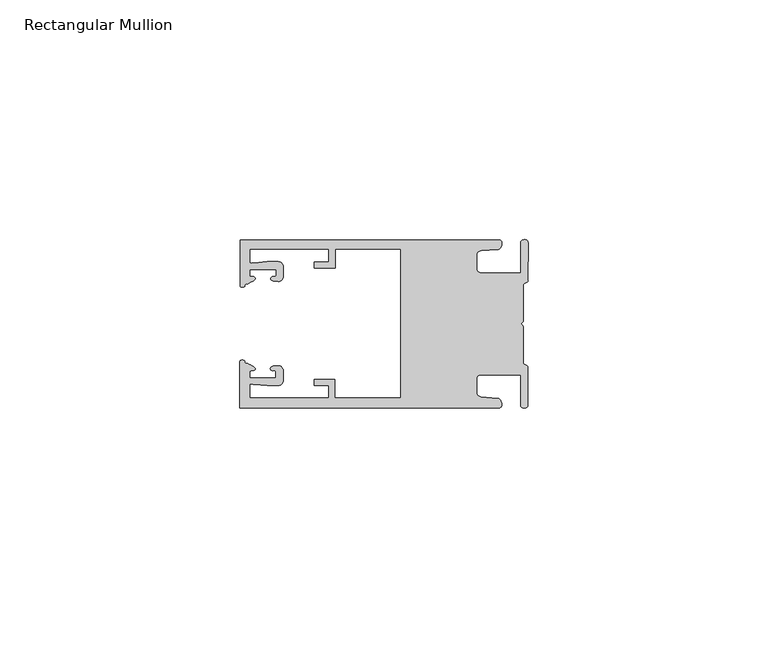
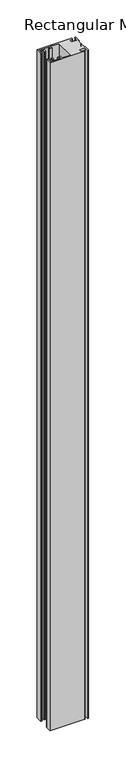
"""IFC4 building model written with IfcOpenShell, lengths in millimetres: member geometry, Rectangular Mullion."""

import ifcopenshell
import ifcopenshell.guid

model = None  # the IFC model being written
_history = None  # IfcOwnerHistory: only IFC2X3 demands one
_inside = {}  # id of a spatial element -> (the spatial element, [elements in it])
_under = {}  # id of a project, library or spatial element -> (it, [spatial elements below it])
_declared = {}  # id of a project -> (the project, [libraries it declares])
_typed = {}  # id of a type object -> (the type object, [elements of that type])
_made_of = {}  # id of a material, layer set ... -> (it, [elements and type objects made of it])


def new_model(schema):
    """Start an empty IFC model of exactly this schema.

    Asked for "IFC4X3", IfcOpenShell would pick the latest addendum, in which some entities
    have other attributes; the version numbers below select the first issue.
    IFC2X3 requires an IfcOwnerHistory on every rooted entity: one is made here for all.
    """
    global model, _history
    if schema == "IFC4X3":
        model = ifcopenshell.file(schema_version=(4, 3, 0, 0))
    else:
        model = ifcopenshell.file(schema=schema)
    _inside.clear()
    _under.clear()
    _declared.clear()
    _typed.clear()
    _made_of.clear()
    _history = None
    if model.schema == "IFC2X3":
        org = make("IfcOrganization", Name="unknown")
        user = make(
            "IfcPersonAndOrganization",
            ThePerson=make("IfcPerson", FamilyName="unknown"),
            TheOrganization=org,
        )
        app = make(
            "IfcApplication",
            ApplicationDeveloper=org,
            Version="unknown",
            ApplicationFullName="unknown",
            ApplicationIdentifier="unknown",
        )
        _history = make(
            "IfcOwnerHistory",
            OwningUser=user,
            OwningApplication=app,
            ChangeAction="ADDED",
            CreationDate=0,
        )
    return model


def make(cls, **values):
    """One entity of the class cls with the attributes given. An attribute that is None is left unset."""
    return model.create_entity(
        cls, **{name: value for name, value in values.items() if value is not None}
    )


def rooted(cls, **values):
    """An entity with a GlobalId (a new one), such as an element, a storey or a relation."""
    return make(cls, GlobalId=ifcopenshell.guid.new(), OwnerHistory=_history, **values)


def si_unit(unit_type, name, prefix=None):
    """IfcSIUnit, for example si_unit("LENGTHUNIT", "METRE", prefix="MILLI")."""
    return make("IfcSIUnit", UnitType=unit_type, Prefix=prefix, Name=name)


def assignment(units):
    """IfcUnitAssignment: the units of a project."""
    return None if units is None else make("IfcUnitAssignment", Units=units)


def point(xyz):
    """IfcCartesianPoint."""
    return None if xyz is None else make("IfcCartesianPoint", Coordinates=xyz)


def direction(xyz):
    """IfcDirection."""
    return None if xyz is None else make("IfcDirection", DirectionRatios=xyz)


def frame(location, z_axis=None, x_axis=None):
    """IfcAxis2Placement3D, a coordinate frame: its origin and axes. An axis left out is left unset."""
    return make(
        "IfcAxis2Placement3D",
        Location=point(location),
        Axis=direction(z_axis),
        RefDirection=direction(x_axis),
    )


def origin():
    """The frame at (0, 0, 0) with its axes left unset."""
    return frame((0.0, 0.0, 0.0))


def place(relative_to, where):
    """IfcLocalPlacement: puts the frame where relative to a parent placement (None: the world)."""
    return make(
        "IfcLocalPlacement", PlacementRelTo=relative_to, RelativePlacement=where
    )


def context(
    kind, dimensions, precision=None, world=None, true_north=None, identifier=None
):
    """IfcGeometricRepresentationContext, for example the 3D "Model" context."""
    return make(
        "IfcGeometricRepresentationContext",
        ContextIdentifier=identifier,
        ContextType=kind,
        CoordinateSpaceDimension=dimensions,
        Precision=precision,
        WorldCoordinateSystem=world,
        TrueNorth=true_north,
    )


def project(units=None, contexts=None):
    """IfcProject with its units and contexts."""
    return rooted(
        "IfcProject",
        Name="project",
        RepresentationContexts=contexts,
        UnitsInContext=assignment(units),
    )


def spatial(cls, under=None, at=None, **own):
    """A site, building, storey or space (cls), placed at a placement, below another one or the project."""
    s = rooted(cls, ObjectPlacement=at, **own)
    if under is not None:
        _under.setdefault(under.id(), (under, []))[1].append(s)
    return s


def circle_curve(where, radius):
    """IfcCircle in the frame where."""
    return make("IfcCircle", Position=where, Radius=radius)


def shape(context_of_items, identifier, shape_type, items):
    """IfcShapeRepresentation: the items that make up one representation, for example the "Body"."""
    return make(
        "IfcShapeRepresentation",
        ContextOfItems=context_of_items,
        RepresentationIdentifier=identifier,
        RepresentationType=shape_type,
        Items=items,
    )


def source(mapping_origin, context_of_items, identifier, shape_type, items):
    """IfcRepresentationMap: a shape defined once, which mapped items show again and again."""
    return make(
        "IfcRepresentationMap",
        MappingOrigin=mapping_origin,
        MappedRepresentation=shape(context_of_items, identifier, shape_type, items),
    )


def transform(
    local_origin,
    x_axis=None,
    y_axis=None,
    z_axis=None,
    scale=None,
    scale2=None,
    scale3=None,
    uniform=True,
):
    """IfcCartesianTransformationOperator3D, or its non-uniform kind. x_axis, y_axis, z_axis: its Axis1, 2, 3."""
    if uniform:
        return make(
            "IfcCartesianTransformationOperator3D",
            Axis1=direction(x_axis),
            Axis2=direction(y_axis),
            LocalOrigin=point(local_origin),
            Scale=scale,
            Axis3=direction(z_axis),
        )
    return make(
        "IfcCartesianTransformationOperator3DnonUniform",
        Axis1=direction(x_axis),
        Axis2=direction(y_axis),
        LocalOrigin=point(local_origin),
        Scale=scale,
        Axis3=direction(z_axis),
        Scale2=scale2,
        Scale3=scale3,
    )


def mapped(mapping_source, mapping_target):
    """IfcMappedItem: shows the shape of a source again, moved by a transform."""
    return make(
        "IfcMappedItem", MappingSource=mapping_source, MappingTarget=mapping_target
    )


def made_of(thing, what):
    """Note that an element or type object is made of a material, layer set ...; save() writes the relation."""
    if what is not None:
        _made_of.setdefault(what.id(), (what, []))[1].append(thing)
    return thing


def element(
    cls,
    number,
    at=None,
    inside=None,
    cuts=None,
    type_object=None,
    material=None,
    context=None,
    identifier="Body",
    shape_type=None,
    held_by="IfcProductDefinitionShape",
    body=None,
    shapes=None,
    **own,
):
    """One element of the class cls, such as IfcWall. Its Tag is "e" and its number.

    at: its placement. inside: the storey or other place that contains it. cuts: it is an
    opening in that element (IfcRelVoidsElement). A single representation is given by context,
    identifier, shape_type and body (its items); several are given by shapes. held_by: the class
    of the entity that holds the representations. save() writes the other relations.
    """
    e = rooted(cls, Tag="e%d" % number, ObjectPlacement=at, **own)
    if body is not None:
        shapes = [shape(context, identifier, shape_type, body)]
    if shapes is not None:
        e.Representation = make(held_by, Representations=shapes)
    if inside is not None:
        _inside.setdefault(inside.id(), (inside, []))[1].append(e)
    if cuts is not None:
        rooted(
            "IfcRelVoidsElement", RelatingBuildingElement=cuts, RelatedOpeningElement=e
        )
    if type_object is not None:
        _typed.setdefault(type_object.id(), (type_object, []))[1].append(e)
    return made_of(e, material)


def aggregate(whole, parts):
    """IfcRelAggregates: a whole, such as a stair, and the parts it consists of."""
    return rooted("IfcRelAggregates", RelatingObject=whole, RelatedObjects=parts)


def save(model, path):
    """Write the relations noted so far, then the file.

    IfcRelAggregates (storeys below a building ...), IfcRelContainedInSpatialStructure (elements
    in a storey), IfcRelDefinesByType, IfcRelAssociatesMaterial and IfcRelDeclares: one each for
    every whole, place, type object, material and project.
    """
    for whole, parts in _under.values():
        aggregate(whole, parts)
    for where, things in _inside.values():
        rooted(
            "IfcRelContainedInSpatialStructure",
            RelatedElements=things,
            RelatingStructure=where,
        )
    for kind, things in _typed.values():
        rooted("IfcRelDefinesByType", RelatedObjects=things, RelatingType=kind)
    for what, things in _made_of.values():
        rooted("IfcRelAssociatesMaterial", RelatedObjects=things, RelatingMaterial=what)
    for by, libraries in _declared.values():
        rooted("IfcRelDeclares", RelatingContext=by, RelatedDefinitions=libraries)
    model.write(path)


def plane_surface(at):
    """IfcPlane: the flat surface through the origin of the frame at, square to its z axis."""
    return make("IfcPlane", Position=at)


def cylinder_surface(at, radius):
    """IfcCylindricalSurface: all points at the distance radius from the z axis of the frame at."""
    return make("IfcCylindricalSurface", Position=at, Radius=radius)


def extruded_surface(curve, direction_of_extrusion, depth):
    """IfcSurfaceOfLinearExtrusion: the curve pushed along a direction by depth."""
    return make(
        "IfcSurfaceOfLinearExtrusion",
        SweptCurve=make("IfcArbitraryOpenProfileDef", ProfileType="CURVE", Curve=curve),
        ExtrudedDirection=direction(direction_of_extrusion),
        Depth=depth,
    )


def spline_curve(degree, points, multiplicities, knots, weights=None):
    """IfcBSplineCurveWithKnots; with weights, IfcRationalBSplineCurveWithKnots."""
    own = dict(
        Degree=degree,
        ControlPointsList=[point(p) for p in points],
        CurveForm="UNSPECIFIED",
        ClosedCurve=False,
        SelfIntersect=False,
        KnotMultiplicities=multiplicities,
        Knots=knots,
        KnotSpec="UNSPECIFIED",
    )
    if weights is None:
        return make("IfcBSplineCurveWithKnots", **own)
    return make("IfcRationalBSplineCurveWithKnots", WeightsData=weights, **own)


def advanced_brep(points, edges, surfaces, faces):
    """IfcAdvancedBrep: a solid bounded by faces that lie on surfaces and meet in shared edges.

    An edge is (start, end): straight between two places in points (the first is 0);
    or (start, end, curve); or (start, end, curve, False) where it runs against its curve.
    A face is (place in surfaces, loops), or (place, loops, False) where it looks against
    its surface's normal. A loop lists edges by number (the first is 1), with a minus sign
    where the edge is run from its end to its start. The first loop is the outer one.
    """
    corners = [point(p) for p in points]
    vertices = [make("IfcVertexPoint", VertexGeometry=c) for c in corners]
    made = []
    for start, end, *more in edges:
        made.append(
            make(
                "IfcEdgeCurve",
                EdgeStart=vertices[start],
                EdgeEnd=vertices[end],
                EdgeGeometry=more[0] if more else make("IfcPolyline", Points=[corners[start], corners[end]]),
                SameSense=more[1] if len(more) > 1 else True,
            )
        )
    hull = []
    for where, loops, *sense in faces:
        bounds = []
        for j, loop in enumerate(loops):
            ring = [make("IfcOrientedEdge", EdgeElement=made[abs(k) - 1], Orientation=k > 0) for k in loop]
            bounds.append(
                make(
                    "IfcFaceOuterBound" if j == 0 else "IfcFaceBound",
                    Bound=make("IfcEdgeLoop", EdgeList=ring),
                    Orientation=True,
                )
            )
        hull.append(make("IfcAdvancedFace", Bounds=bounds, FaceSurface=surfaces[where], SameSense=sense[0] if sense else True))
    return make("IfcAdvancedBrep", Outer=make("IfcClosedShell", CfsFaces=hull))


def rectangular_mullion_070d7e67(model_context):
    return source(origin(), model_context, "Body", "AdvancedBrep", [
        advanced_brep(
        [(-60.0749377, 17.5111528, 0.0), (-60.0749377, 8.0140787, 0.0), (-59.3252567, 7.7187455, 0.0), (-58.4967974, 8.36785, 0.0), (-58.0726619, 10.1173923, 0.0), (-58.0713101, 11.3673916, 0.0), (-52.5713133, 11.3614437, 0.0), (-52.5726651, 10.1114444, 0.0), (-53.1427626, 8.8955539, 0.0), (-52.0740172, 8.8609044, 0.0), (-51.0729364, 9.8598224, 0.0), (-51.0706653, 11.9598211, 0.0), (-52.0700692, 12.9609024, 0.0), (-54.3905105, 12.9622843, 0.0), (-57.1599646, 12.7230061, 0.0), (-58.0696339, 12.9173907, 0.0), (-58.066768, 15.5673891, 0.0), (-41.5667584, 15.5673891, 0.0), (-41.5695894, 12.9495468, 0.0), (-44.5695877, 12.9527912, 0.0), (-44.5709936, 11.6527919, 0.0), (-40.2709961, 11.6481417, 0.0), (-40.2667576, 15.5673891, 0.0), (-26.6002952, 15.5673891, 0.0), (-26.6002952, -15.4518424, 0.0), (-40.3003032, -15.4518424, 0.0), (-40.2960856, -11.5518447, 0.0), (-44.5960831, -11.5471945, 0.0), (-44.597489, -12.8471938, 0.0), (-41.5974907, -12.8504381, 0.0), (-41.6003025, -15.4504366, 0.0), (-58.1002928, -15.4325927, 0.0), (-58.097427, -12.7825943, 0.0), (-57.1873395, -12.5901776, 0.0), (-54.4184094, -12.8354453, 0.0), (-52.0979705, -12.8390822, 0.0), (-51.0964037, -11.8401649, 0.0), (-51.0941327, -9.7401662, 0.0), (-52.0930507, -8.7390853, 0.0), (-53.1618685, -8.7714231, 0.0), (-52.5944022, -9.9885439, 0.0), (-52.595754, -11.2385431, 0.0), (-58.0957508, -11.2325952, 0.0), (-58.094399, -9.9825959, 0.0), (-58.5147494, -8.2321403, 0.0), (-59.3418028, -7.5812455, 0.0), (-60.0921208, -7.8749565, 0.0), (-60.0921208, -17.4888267, 0.0), (-6.1024861, -17.4888267, 0.0), (-6.5218639, -15.488372, 0.0), (-9.8784944, -15.2205466, 0.0), (-10.7989567, -14.2226333, 0.0), (-10.7961029, -11.5837474, 0.0), (-9.8734844, -10.5878272, 0.0), (-1.5950266, -10.5934991, 0.0), (-1.601948, -16.9936935, 0.0), (-0.1017194, -16.7830581, 0.0), (-0.0933208, -9.0170082, 0.0), (-1.0923837, -8.1499018, 0.0), (-1.0842165, -0.5977972, 0.0), (-1.0829111, 0.6093089, 0.0), (-1.0747439, 8.1614135, 0.0), (-0.0738079, 9.026357, 0.0), (-0.0654093, 16.7924069, 0.0), (-1.5651789, 17.0062866, 0.0), (-1.5651789, 10.6183257, 0.0), (-9.8505511, 10.6183257, 0.0), (-10.7710133, 11.6162391, 0.0), (-10.7681595, 14.255125, 0.0), (-9.845541, 15.2510452, 0.0), (-6.4883391, 15.5116099, 0.0), (-6.0646356, 17.5111528, 0.0), (-60.0749377, 17.5111528, -1096.68), (-6.0646356, 17.5111528, -1096.68), (-6.4883391, 15.5116099, -1096.68), (-9.845541, 15.2510452, -1096.68), (-10.7681595, 14.255125, -1096.68), (-10.7710133, 11.6162391, -1096.68), (-9.8505511, 10.6183257, -1096.68), (-1.5651789, 10.6183257, -1096.68), (-1.5651789, 17.0062866, -1096.68), (-0.0654093, 16.7924069, -1096.68), (-0.0738079, 9.026357, -1096.68), (-1.0747439, 8.1614135, -1096.68), (-1.0829111, 0.6093089, -1096.68), (-1.0842165, -0.5977972, -1096.68), (-1.0923837, -8.1499018, -1096.68), (-0.0933208, -9.0170082, -1096.68), (-0.1017194, -16.7830581, -1096.68), (-1.601948, -16.9936935, -1096.68), (-1.5950266, -10.5934991, -1096.68), (-9.8734844, -10.5878272, -1096.68), (-10.7961029, -11.5837474, -1096.68), (-10.7989567, -14.2226333, -1096.68), (-9.8784944, -15.2205466, -1096.68), (-6.5218639, -15.488372, -1096.68), (-6.1024861, -17.4888267, -1096.68), (-60.0921208, -17.4888267, -1096.68), (-60.0921208, -7.8749565, -1096.68), (-59.3418028, -7.5812455, -1096.68), (-58.5147494, -8.2321403, -1096.68), (-58.094399, -9.9825959, -1096.68), (-58.0957508, -11.2325952, -1096.68), (-52.595754, -11.2385431, -1096.68), (-52.5944022, -9.9885439, -1096.68), (-53.1618685, -8.7714231, -1096.68), (-52.0930507, -8.7390853, -1096.68), (-51.0941327, -9.7401662, -1096.68), (-51.0964037, -11.8401649, -1096.68), (-52.0979705, -12.8390823, -1096.68), (-54.4184094, -12.8354453, -1096.68), (-57.1873395, -12.5901776, -1096.68), (-58.097427, -12.7825943, -1096.68), (-58.1002928, -15.4325927, -1096.68), (-41.6003025, -15.4504366, -1096.68), (-41.5974907, -12.8504381, -1096.68), (-44.597489, -12.8471938, -1096.68), (-44.5960831, -11.5471945, -1096.68), (-40.2960856, -11.5518447, -1096.68), (-40.3003032, -15.4518424, -1096.68), (-26.6002952, -15.4518424, -1096.68), (-26.6002952, 15.5673891, -1096.68), (-40.2667576, 15.5673891, -1096.68), (-40.2709961, 11.6481417, -1096.68), (-44.5709936, 11.6527919, -1096.68), (-44.5695877, 12.9527912, -1096.68), (-41.5695894, 12.9495468, -1096.68), (-41.5667584, 15.5673891, -1096.68), (-58.066768, 15.5673891, -1096.68), (-58.0696339, 12.9173907, -1096.68), (-57.1599646, 12.7230061, -1096.68), (-54.3905105, 12.9622843, -1096.68), (-52.0700692, 12.9609023, -1096.68), (-51.0706653, 11.9598211, -1096.68), (-51.0729364, 9.8598224, -1096.68), (-52.0740172, 8.8609044, -1096.68), (-53.1427626, 8.8955539, -1096.68), (-52.5726651, 10.1114444, -1096.68), (-52.5713133, 11.3614437, -1096.68), (-58.0713101, 11.3673916, -1096.68), (-58.0726619, 10.1173923, -1096.68), (-58.4967974, 8.36785, -1096.68), (-59.3252567, 7.7187455, -1096.68), (-60.0749377, 8.0140787, -1096.68)],
        [
            (0, 1),
            (1, 2, spline_curve(3, [(-60.0749377, 8.0140787, 0.0), (-60.075233123, 7.740904774, 0.0), (-59.825339491, 7.642460332, 0.0), (-59.3252567, 7.7187455, 0.0)], [4, 4], [0.0, 0.0019169337574178654])),
            (2, 3, spline_curve(3, [(-59.3252567, 7.7187455, 0.0), (-59.094460914, 7.75918372, 0.0), (-59.054835463, 7.902257199, 0.0), (-59.05559987, 8.233305614, 0.0), (-59.138729113, 8.4134359, 0.0), (-58.4967974, 8.36785, 0.0)], [4, 2, 4], [0.0, 0.0010199524164107188, 0.0024874514725970356])),
            (3, 4, spline_curve(3, [(-58.4967974, 8.36785, 0.0), (-57.022393378, 9.053435667, 0.0), (-56.827266887, 9.364828726, 0.0), (-56.982213078, 9.742623404, 0.0), (-57.177375211, 9.855581791, 0.0), (-57.697928101, 9.887955071, 0.0), (-57.997449153, 9.835475348, 0.0), (-58.0726619, 10.1173923, 0.0)], [4, 2, 2, 4], [0.0, 0.003269869179570428, 0.005490050486237203, 0.0073545767114364426])),
            (4, 5),
            (5, 6),
            (6, 7),
            (7, 8, spline_curve(3, [(-52.5726651, 10.1114444, 0.0), (-52.667195519, 9.760172042, 0.0), (-52.937094388, 9.861877724, 0.0), (-53.356237032, 9.895631753, 0.0), (-53.491940439, 9.811038713, 0.0), (-53.761900775, 9.511438033, 0.0), (-53.892893546, 9.278787104, 0.0), (-53.1427626, 8.8955539, 0.0)], [4, 2, 2, 4], [0.0, 0.001593963049934732, 0.0033360256320283306, 0.005339140673503943])),
            (8, 9),
            (9, 10, circle_curve(frame((-52.0729358, 9.8609038, 0.0), z_axis=(0.0, 0.0, 1.0), x_axis=(-0.0010814451158600304, -0.9999994152380598, 0.0)), 1.0)),
            (10, 11),
            (11, 12, circle_curve(frame((-52.0706647, 11.9609026, 0.0), z_axis=(0.0, 0.0, 1.0), x_axis=(-0.0010814451158600304, -0.9999994152380598, 0.0)), 1.0)),
            (12, 13),
            (13, 14),
            (14, 15, spline_curve(3, [(-57.1599646, 12.7230061, 0.0), (-57.631533854, 12.682262968, 0.0), (-58.018602985, 12.477800124, 0.0), (-58.0696339, 12.9173907, 0.0)], [4, 4], [0.0, 0.0014803385355886016])),
            (15, 16),
            (16, 17),
            (17, 18),
            (18, 19),
            (19, 20),
            (20, 21),
            (21, 22),
            (22, 23),
            (23, 24),
            (24, 25),
            (25, 26),
            (26, 27),
            (27, 28),
            (28, 29),
            (29, 30),
            (30, 31),
            (31, 32),
            (32, 33, spline_curve(3, [(-58.097427, -12.7825943, 0.0), (-58.045445419, -12.343115126, 0.0), (-57.658819528, -12.548414611, 0.0), (-57.1873395, -12.5901776, 0.0)], [4, 4], [0.0, 0.0014803385355886016])),
            (33, 34),
            (34, 35),
            (35, 36, circle_curve(frame((-52.0964031, -11.8390835, 0.0), z_axis=(0.0, 0.0, 1.0), x_axis=(0.0010814451158600304, 0.9999994152380598, 0.0)), 1.0)),
            (36, 37),
            (37, 38, circle_curve(frame((-52.0941321, -9.7390847, 0.0), z_axis=(0.0, 0.0, 1.0), x_axis=(0.0010814451158600304, 0.9999994152380598, 0.0)), 1.0)),
            (38, 39),
            (39, 40, spline_curve(3, [(-53.1618685, -8.7714231, 0.0), (-53.912826582, -9.153032958, 0.0), (-53.782337352, -9.385966711, 0.0), (-53.51302565, -9.686150585, 0.0), (-53.377505444, -9.771037009, 0.0), (-52.958290774, -9.738189618, 0.0), (-52.688172635, -9.637067904, 0.0), (-52.5944022, -9.9885439, 0.0)], [4, 2, 2, 4], [0.0, 0.002003115041475612, 0.0037451776235692107, 0.005339140673503943])),
            (40, 41),
            (41, 42),
            (42, 43),
            (43, 44, spline_curve(3, [(-58.094399, -9.9825959, 0.0), (-58.018576674, -9.700842284, 0.0), (-57.719169706, -9.753969703, 0.0), (-57.198548014, -9.722722397, 0.0), (-57.003142178, -9.61018632, 0.0), (-56.847379222, -9.232727657, 0.0), (-57.041831673, -8.920913336, 0.0), (-58.5147494, -8.2321403, 0.0)], [4, 2, 2, 4], [0.0, 0.0018645262251992395, 0.004084707531866015, 0.0073545767114364426])),
            (44, 45, spline_curve(3, [(-58.5147494, -8.2321403, 0.0), (-59.156778208, -8.276337666, 0.0), (-59.073259494, -8.096387681, 0.0), (-59.071779067, -7.765341694, 0.0), (-59.111095017, -7.622182811, 0.0), (-59.3418028, -7.5812455, 0.0)], [4, 2, 4], [0.0, 0.0014674990561863168, 0.0024874514725970356])),
            (45, 46, spline_curve(3, [(-59.3418028, -7.5812455, 0.0), (-59.841719425, -7.503878887, 0.0), (-60.091825377, -7.601782574, 0.0), (-60.0921208, -7.8749565, 0.0)], [4, 4], [0.0, 0.0019169337574178654])),
            (46, 47),
            (47, 48),
            (48, 49, spline_curve(3, [(-6.1024861, -17.4888267, 0.0), (-5.074532184, -17.418062188, 0.0), (-5.631140689, -15.411414367, 0.0), (-6.5218639, -15.488372, 0.0)], [4, 4], [0.0, 0.0043819361547461745])),
            (49, 50),
            (50, 51, spline_curve(3, [(-9.8784944, -15.2205466, 0.0), (-10.440691543, -15.150698463, 0.0), (-10.74751234, -14.818060727, 0.0), (-10.7989567, -14.2226333, 0.0)], [4, 4], [0.0, 0.0028645797420738927])),
            (51, 52),
            (52, 53, spline_curve(3, [(-10.7961029, -11.5837474, 0.0), (-10.743370817, -10.988432634, 0.0), (-10.435831301, -10.656459204, 0.0), (-9.8734844, -10.5878272, 0.0)], [4, 4], [0.0, 0.0028645797420738927])),
            (53, 54),
            (54, 55),
            (55, 56, spline_curve(3, [(-1.601948, -16.9936935, 0.0), (-1.655676874, -17.600261454, 0.0), (-0.043737403, -17.912795581, 0.0), (-0.1017194, -16.7830581, 0.0)], [4, 4], [0.0, 0.0036987374396357936])),
            (56, 57),
            (57, 58, spline_curve(3, [(-0.0933208, -9.0170082, 0.0), (-0.018818183, -8.695886697, 0.0), (-1.193434327, -8.459763043, 0.0), (-1.0923837, -8.1499018, 0.0)], [4, 4], [0.0, 0.002027216749630121])),
            (58, 59),
            (59, 60, spline_curve(3, [(-1.0842165, -0.5977972, 0.0), (-1.013223198, -0.445980437, 0.0), (-1.487945123, -0.206736825, 0.0), (-1.487409651, 0.231097965, 0.0), (-0.999110985, 0.429090391, 0.0), (-1.0829111, 0.6093089, 0.0)], [4, 2, 4], [0.0, 0.00249866671847065, 0.005031402919736269])),
            (60, 61),
            (61, 62, spline_curve(3, [(-1.0747439, 8.1614135, 0.0), (-1.175124095, 8.47149258, 0.0), (-7e-09, 8.705075107, 0.0), (-0.0738079, 9.026357, 0.0)], [4, 4], [0.0, 0.002027216749630121])),
            (62, 63),
            (63, 64, spline_curve(3, [(-0.0654093, 16.7924069, 0.0), (-0.004983942, 17.92201633, 0.0), (-1.617595709, 17.612969344, 0.0), (-1.5651789, 17.0062866, 0.0)], [4, 4], [0.0, 0.0036987374396357936])),
            (64, 65),
            (65, 66),
            (66, 67, spline_curve(3, [(-9.8505511, 10.6183257, 0.0), (-10.412748243, 10.688173837, 0.0), (-10.71956894, 11.020811673, 0.0), (-10.7710133, 11.6162391, 0.0)], [4, 4], [0.0, 0.0028645797420738927])),
            (67, 68),
            (68, 69, spline_curve(3, [(-10.7681595, 14.255125, 0.0), (-10.715427417, 14.850439766, 0.0), (-10.407887901, 15.182413196, 0.0), (-9.845541, 15.2510452, 0.0)], [4, 4], [0.0, 0.0028645797420738927])),
            (69, 70),
            (70, 71, spline_curve(3, [(-6.4883391, 15.5116099, 0.0), (-5.597784423, 15.432725911, 0.0), (-5.036837144, 17.438165103, 0.0), (-6.0646356, 17.5111528, 0.0)], [4, 4], [0.0, 0.0043819361547461745])),
            (71, 0),
            (72, 73),
            (73, 74, spline_curve(3, [(-6.0646356, 17.5111528, -1096.68), (-5.036837144, 17.438165103, -1096.68), (-5.597784423, 15.432725911, -1096.68), (-6.4883391, 15.5116099, -1096.68)], [4, 4], [0.0, 0.0043819361547461745])),
            (74, 75),
            (75, 76, spline_curve(3, [(-9.845541, 15.2510452, -1096.68), (-10.407887901, 15.182413196, -1096.68), (-10.715427417, 14.850439766, -1096.68), (-10.7681595, 14.255125, -1096.68)], [4, 4], [0.0, 0.0028645797420738927])),
            (76, 77),
            (77, 78, spline_curve(3, [(-10.7710133, 11.6162391, -1096.68), (-10.71956894, 11.020811673, -1096.68), (-10.412748243, 10.688173837, -1096.68), (-9.8505511, 10.6183257, -1096.68)], [4, 4], [0.0, 0.0028645797420738927])),
            (78, 79),
            (79, 80),
            (80, 81, spline_curve(3, [(-1.5651789, 17.0062866, -1096.68), (-1.617595709, 17.612969344, -1096.68), (-0.004983942, 17.92201633, -1096.68), (-0.0654093, 16.7924069, -1096.68)], [4, 4], [0.0, 0.0036987374396357936])),
            (81, 82),
            (82, 83, spline_curve(3, [(-0.0738079, 9.026357, -1096.68), (-7e-09, 8.705075107, -1096.68), (-1.175124095, 8.47149258, -1096.68), (-1.0747439, 8.1614135, -1096.68)], [4, 4], [0.0, 0.002027216749630121])),
            (83, 84),
            (84, 85, spline_curve(3, [(-1.0829111, 0.6093089, -1096.68), (-0.999110985, 0.429090391, -1096.68), (-1.487409651, 0.231097965, -1096.68), (-1.487945123, -0.206736825, -1096.68), (-1.013223198, -0.445980437, -1096.68), (-1.0842165, -0.5977972, -1096.68)], [4, 2, 4], [0.0, 0.002532736201265619, 0.005031402919736269])),
            (85, 86),
            (86, 87, spline_curve(3, [(-1.0923837, -8.1499018, -1096.68), (-1.193434327, -8.459763043, -1096.68), (-0.018818183, -8.695886697, -1096.68), (-0.0933208, -9.0170082, -1096.68)], [4, 4], [0.0, 0.002027216749630121])),
            (87, 88),
            (88, 89, spline_curve(3, [(-0.1017194, -16.7830581, -1096.68), (-0.043737403, -17.912795581, -1096.68), (-1.655676874, -17.600261454, -1096.68), (-1.601948, -16.9936935, -1096.68)], [4, 4], [0.0, 0.0036987374396357936])),
            (89, 90),
            (90, 91),
            (91, 92, spline_curve(3, [(-9.8734844, -10.5878272, -1096.68), (-10.435831301, -10.656459204, -1096.68), (-10.743370817, -10.988432634, -1096.68), (-10.7961029, -11.5837474, -1096.68)], [4, 4], [0.0, 0.0028645797420738927])),
            (92, 93),
            (93, 94, spline_curve(3, [(-10.7989567, -14.2226333, -1096.68), (-10.74751234, -14.818060727, -1096.68), (-10.440691543, -15.150698463, -1096.68), (-9.8784944, -15.2205466, -1096.68)], [4, 4], [0.0, 0.0028645797420738927])),
            (94, 95),
            (95, 96, spline_curve(3, [(-6.5218639, -15.488372, -1096.68), (-5.631140689, -15.411414367, -1096.68), (-5.074532184, -17.418062188, -1096.68), (-6.1024861, -17.4888267, -1096.68)], [4, 4], [0.0, 0.0043819361547461745])),
            (96, 97),
            (97, 98),
            (98, 99, spline_curve(3, [(-60.0921208, -7.8749565, -1096.68), (-60.091825377, -7.601782574, -1096.68), (-59.841719425, -7.503878887, -1096.68), (-59.3418028, -7.5812455, -1096.68)], [4, 4], [0.0, 0.0019169337574178654])),
            (99, 100, spline_curve(3, [(-59.3418028, -7.5812455, -1096.68), (-59.111095017, -7.622182811, -1096.68), (-59.071779067, -7.765341694, -1096.68), (-59.073259494, -8.096387681, -1096.68), (-59.156778208, -8.276337666, -1096.68), (-58.5147494, -8.2321403, -1096.68)], [4, 2, 4], [0.0, 0.0010199524164107188, 0.0024874514725970356])),
            (100, 101, spline_curve(3, [(-58.5147494, -8.2321403, -1096.68), (-57.041831673, -8.920913336, -1096.68), (-56.847379222, -9.232727657, -1096.68), (-57.003142178, -9.61018632, -1096.68), (-57.198548014, -9.722722397, -1096.68), (-57.719169706, -9.753969703, -1096.68), (-58.018576674, -9.700842284, -1096.68), (-58.094399, -9.9825959, -1096.68)], [4, 2, 2, 4], [0.0, 0.003269869179570428, 0.005490050486237203, 0.0073545767114364426])),
            (101, 102),
            (102, 103),
            (103, 104),
            (104, 105, spline_curve(3, [(-52.5944022, -9.9885439, -1096.68), (-52.688172635, -9.637067904, -1096.68), (-52.958290774, -9.738189618, -1096.68), (-53.377505444, -9.771037009, -1096.68), (-53.51302565, -9.686150585, -1096.68), (-53.782337352, -9.385966711, -1096.68), (-53.912826582, -9.153032958, -1096.68), (-53.1618685, -8.7714231, -1096.68)], [4, 2, 2, 4], [0.0, 0.001593963049934732, 0.0033360256320283306, 0.005339140673503943])),
            (105, 106),
            (106, 107, circle_curve(frame((-52.0941321, -9.7390847, -1096.68), z_axis=(0.0, 0.0, -1.0), x_axis=(0.0010814451158600304, 0.9999994152380598, 0.0)), 1.0)),
            (107, 108),
            (108, 109, circle_curve(frame((-52.0964031, -11.8390835, -1096.68), z_axis=(0.0, 0.0, -1.0), x_axis=(0.0010814451158600304, 0.9999994152380598, 0.0)), 1.0)),
            (109, 110),
            (110, 111),
            (111, 112, spline_curve(3, [(-57.1873395, -12.5901776, -1096.68), (-57.658819528, -12.548414611, -1096.68), (-58.045445419, -12.343115126, -1096.68), (-58.097427, -12.7825943, -1096.68)], [4, 4], [0.0, 0.0014803385355886016])),
            (112, 113),
            (113, 114),
            (114, 115),
            (115, 116),
            (116, 117),
            (117, 118),
            (118, 119),
            (119, 120),
            (120, 121),
            (121, 122),
            (122, 123),
            (123, 124),
            (124, 125),
            (125, 126),
            (126, 127),
            (127, 128),
            (128, 129),
            (129, 130, spline_curve(3, [(-58.0696339, 12.9173907, -1096.68), (-58.018602985, 12.477800124, -1096.68), (-57.631533854, 12.682262968, -1096.68), (-57.1599646, 12.7230061, -1096.68)], [4, 4], [0.0, 0.0014803385355886016])),
            (130, 131),
            (131, 132),
            (132, 133, circle_curve(frame((-52.0706647, 11.9609026, -1096.68), z_axis=(0.0, 0.0, -1.0), x_axis=(-0.0010814451158600304, -0.9999994152380598, 0.0)), 1.0)),
            (133, 134),
            (134, 135, circle_curve(frame((-52.0729358, 9.8609038, -1096.68), z_axis=(0.0, 0.0, -1.0), x_axis=(-0.0010814451158600304, -0.9999994152380598, 0.0)), 1.0)),
            (135, 136),
            (136, 137, spline_curve(3, [(-53.1427626, 8.8955539, -1096.68), (-53.892893546, 9.278787104, -1096.68), (-53.761900775, 9.511438033, -1096.68), (-53.491940439, 9.811038713, -1096.68), (-53.356237032, 9.895631753, -1096.68), (-52.937094388, 9.861877724, -1096.68), (-52.667195519, 9.760172042, -1096.68), (-52.5726651, 10.1114444, -1096.68)], [4, 2, 2, 4], [0.0, 0.002003115041475612, 0.0037451776235692107, 0.005339140673503943])),
            (137, 138),
            (138, 139),
            (139, 140),
            (140, 141, spline_curve(3, [(-58.0726619, 10.1173923, -1096.68), (-57.997449153, 9.835475348, -1096.68), (-57.697928101, 9.887955071, -1096.68), (-57.177375211, 9.855581791, -1096.68), (-56.982213078, 9.742623404, -1096.68), (-56.827266887, 9.364828726, -1096.68), (-57.022393378, 9.053435667, -1096.68), (-58.4967974, 8.36785, -1096.68)], [4, 2, 2, 4], [0.0, 0.0018645262251992395, 0.004084707531866015, 0.0073545767114364426])),
            (141, 142, spline_curve(3, [(-58.4967974, 8.36785, -1096.68), (-59.138729113, 8.4134359, -1096.68), (-59.05559987, 8.233305614, -1096.68), (-59.054835463, 7.902257199, -1096.68), (-59.094460914, 7.75918372, -1096.68), (-59.3252567, 7.7187455, -1096.68)], [4, 2, 4], [0.0, 0.0014674990561863168, 0.0024874514725970356])),
            (142, 143, spline_curve(3, [(-59.3252567, 7.7187455, -1096.68), (-59.825339491, 7.642460332, -1096.68), (-60.075233123, 7.740904774, -1096.68), (-60.0749377, 8.0140787, -1096.68)], [4, 4], [0.0, 0.0019169337574178654])),
            (143, 72),
            (0, 72),
            (143, 1),
            (142, 2),
            (141, 3),
            (140, 4),
            (139, 5),
            (138, 6),
            (137, 7),
            (136, 8),
            (135, 9),
            (134, 10),
            (133, 11),
            (132, 12),
            (131, 13),
            (130, 14),
            (129, 15),
            (128, 16),
            (127, 17),
            (126, 18),
            (125, 19),
            (124, 20),
            (123, 21),
            (122, 22),
            (121, 23),
            (120, 24),
            (119, 25),
            (118, 26),
            (117, 27),
            (116, 28),
            (115, 29),
            (114, 30),
            (113, 31),
            (112, 32),
            (111, 33),
            (110, 34),
            (109, 35),
            (108, 36),
            (107, 37),
            (106, 38),
            (105, 39),
            (104, 40),
            (103, 41),
            (102, 42),
            (101, 43),
            (100, 44),
            (99, 45),
            (98, 46),
            (97, 47),
            (96, 48),
            (95, 49),
            (94, 50),
            (93, 51),
            (92, 52),
            (91, 53),
            (90, 54),
            (89, 55),
            (88, 56),
            (87, 57),
            (86, 58),
            (85, 59),
            (84, 60),
            (83, 61),
            (82, 62),
            (81, 63),
            (80, 64),
            (79, 65),
            (78, 66),
            (77, 67),
            (76, 68),
            (75, 69),
            (74, 70),
            (73, 71),
        ],
        [
            plane_surface(frame((0.0, -62.5853181, 0.0), z_axis=(0.0, 0.0, 1.0), x_axis=(-1.0, 0.0, 0.0))),
            plane_surface(frame((0.0, -62.5853181, -1096.68), z_axis=(0.0, 0.0, -1.0), x_axis=(-1.0, 0.0, 0.0))),
            plane_surface(frame((-60.0749377, 17.5111528, 0.0), z_axis=(-1.0, 0.0, 0.0), x_axis=(0.0, 0.0, -1.0))),
            extruded_surface(spline_curve(3, [(-60.0749377, 8.0140787, -1096.68), (-60.075233123, 7.740904774, -1096.68), (-59.825339491, 7.642460332, -1096.68), (-59.3252567, 7.7187455, -1096.68)], [4, 4], [0.0, 0.0019169337574178654]), (0.0, 0.0, 1096.68), 1096.68),
            extruded_surface(spline_curve(3, [(-59.3252567, 7.7187455, -1096.68), (-59.094460914, 7.75918372, -1096.68), (-59.054835463, 7.902257199, -1096.68), (-59.05559987, 8.233305614, -1096.68), (-59.138729113, 8.4134359, -1096.68), (-58.4967974, 8.36785, -1096.68)], [4, 2, 4], [0.0, 0.0010199524164107188, 0.0024874514725970356]), (0.0, 0.0, 1096.68), 1096.68),
            extruded_surface(spline_curve(3, [(-58.4967974, 8.36785, -1096.68), (-57.022393378, 9.053435667, -1096.68), (-56.827266887, 9.364828726, -1096.68), (-56.982213078, 9.742623404, -1096.68), (-57.177375211, 9.855581791, -1096.68), (-57.697928101, 9.887955071, -1096.68), (-57.997449153, 9.835475348, -1096.68), (-58.0726619, 10.1173923, -1096.68)], [4, 2, 2, 4], [0.0, 0.003269869179570428, 0.005490050486237203, 0.0073545767114364426]), (0.0, 0.0, 1096.68), 1096.68),
            plane_surface(frame((-58.0726619, 10.1173923, 0.0), z_axis=(0.9999994152380598, -0.0010814451158634145, 0.0), x_axis=(0.0, 0.0, -1.0))),
            plane_surface(frame((-58.0713101, 11.3673916, 0.0), z_axis=(-0.0010814451158616418, -0.9999994152380598, 0.0), x_axis=(0.0, 0.0, -1.0))),
            plane_surface(frame((-52.5713133, 11.3614437, 0.0), z_axis=(-0.9999994152380598, 0.0010814451158643293, 0.0), x_axis=(0.0, 0.0, -1.0))),
            extruded_surface(spline_curve(3, [(-52.5726651, 10.1114444, -1096.68), (-52.667195519, 9.760172042, -1096.68), (-52.937094388, 9.861877724, -1096.68), (-53.356237032, 9.895631753, -1096.68), (-53.491940439, 9.811038713, -1096.68), (-53.761900775, 9.511438033, -1096.68), (-53.892893546, 9.278787104, -1096.68), (-53.1427626, 8.8955539, -1096.68)], [4, 2, 2, 4], [0.0, 0.001593963049934732, 0.0033360256320283306, 0.005339140673503943]), (0.0, 0.0, 1096.68), 1096.68),
            plane_surface(frame((-53.1427626, 8.8955539, 0.0), z_axis=(-0.032403661401520414, -0.9994748634797054, 0.0), x_axis=(0.0, 0.0, -1.0))),
            cylinder_surface(frame((-52.0729358, 9.8609038, 0.0), z_axis=(0.0, 0.0, 1.0000000000000002), x_axis=(-0.0010814451158600304, -0.9999994152380598, 0.0)), 1.0),
            plane_surface(frame((-51.0729364, 9.8598224, 0.0), z_axis=(0.9999994152380598, -0.001081445115864059, 0.0), x_axis=(0.0, 0.0, -1.0))),
            cylinder_surface(frame((-52.0706647, 11.9609026, 0.0), z_axis=(0.0, 0.0, 1.0000000000000002), x_axis=(-0.0010814451158600304, -0.9999994152380598, 0.0)), 1.0),
            plane_surface(frame((-52.0700692, 12.9609023, 0.0), z_axis=(0.0005955716436318007, 0.999999822647193, 0.0), x_axis=(0.0, 0.0, -1.0))),
            plane_surface(frame((-54.3905105, 12.9622843, 0.0), z_axis=(-0.08607836189159865, 0.9962883697073147, 0.0), x_axis=(0.0, 0.0, -1.0))),
            extruded_surface(spline_curve(3, [(-57.1599646, 12.7230061, -1096.68), (-57.631533854, 12.682262968, -1096.68), (-58.018602985, 12.477800124, -1096.68), (-58.0696339, 12.9173907, -1096.68)], [4, 4], [0.0, 0.0014803385355886016]), (0.0, 0.0, 1096.68), 1096.68),
            plane_surface(frame((-58.0696339, 12.9173907, 0.0), z_axis=(0.9999994152380598, -0.0010814451158629996, 0.0), x_axis=(0.0, 0.0, -1.0))),
            plane_surface(frame((-58.066768, 15.5673891, 0.0), z_axis=(0.0, -1.0, 0.0), x_axis=(0.0, 0.0, -1.0))),
            plane_surface(frame((-41.5667584, 15.5673891, 0.0), z_axis=(-0.9999994152380598, 0.0010814451158636304, 0.0), x_axis=(0.0, 0.0, -1.0))),
            plane_surface(frame((-41.5695894, 12.9495468, 0.0), z_axis=(0.0010814451158615687, 0.9999994152380598, 0.0), x_axis=(0.0, 0.0, -1.0))),
            plane_surface(frame((-44.5695877, 12.9527912, 0.0), z_axis=(-0.9999994152380598, 0.0010814451158626742, 0.0), x_axis=(0.0, 0.0, -1.0))),
            plane_surface(frame((-44.5709936, 11.6527919, 0.0), z_axis=(-0.001081445115861604, -0.9999994152380598, 0.0), x_axis=(0.0, 0.0, -1.0))),
            plane_surface(frame((-40.2709961, 11.6481417, 0.0), z_axis=(0.9999994152380598, -0.001081445115863507, 0.0), x_axis=(0.0, 0.0, -1.0))),
            plane_surface(frame((-40.2667576, 15.5673891, 0.0), z_axis=(0.0, -1.0, 0.0), x_axis=(0.0, 0.0, -1.0))),
            plane_surface(frame((-26.6002952, 15.5673891, 0.0), z_axis=(-1.0, 0.0, 0.0), x_axis=(0.0, 0.0, -1.0))),
            plane_surface(frame((-26.6002952, -15.4518424, 0.0), z_axis=(0.0, 1.0, 0.0), x_axis=(0.0, 0.0, -1.0))),
            plane_surface(frame((-40.3003032, -15.4518424, 0.0), z_axis=(0.9999994152380598, -0.0010814451158565538, 0.0), x_axis=(0.0, 0.0, -1.0))),
            plane_surface(frame((-40.2960856, -11.5518447, 0.0), z_axis=(0.0010814451158584568, 0.9999994152380598, 0.0), x_axis=(0.0, 0.0, -1.0))),
            plane_surface(frame((-44.5960831, -11.5471945, 0.0), z_axis=(-0.9999994152380598, 0.0010814451158573867, 0.0), x_axis=(0.0, 0.0, -1.0))),
            plane_surface(frame((-44.597489, -12.8471938, 0.0), z_axis=(-0.0010814451158584922, -0.9999994152380598, 0.0), x_axis=(0.0, 0.0, -1.0))),
            plane_surface(frame((-41.5974907, -12.8504381, 0.0), z_axis=(-0.9999994152380598, 0.0010814451158564305, 0.0), x_axis=(0.0, 0.0, -1.0))),
            plane_surface(frame((-41.6003025, -15.4504366, 0.0), z_axis=(0.0010814451158583872, 0.9999994152380598, 0.0), x_axis=(0.0, 0.0, -1.0))),
            plane_surface(frame((-58.1002928, -15.4325927, 0.0), z_axis=(0.9999994152380598, -0.0010814451158570612, 0.0), x_axis=(0.0, 0.0, -1.0))),
            extruded_surface(spline_curve(3, [(-58.097427, -12.7825943, -1096.68), (-58.045445419, -12.343115126, -1096.68), (-57.658819528, -12.548414611, -1096.68), (-57.1873395, -12.5901776, -1096.68)], [4, 4], [0.0, 0.0014803385355886016]), (0.0, 0.0, 1096.68), 1096.68),
            plane_surface(frame((-57.1873395, -12.5901776, 0.0), z_axis=(-0.0882330216729926, -0.9960998614026876, 0.0), x_axis=(0.0, 0.0, -1.0))),
            plane_surface(frame((-54.4184094, -12.8354453, 0.0), z_axis=(-0.0015673183327880543, -0.9999987717558677, 0.0), x_axis=(0.0, 0.0, -1.0))),
            cylinder_surface(frame((-52.0964031, -11.8390835, 0.0), z_axis=(0.0, 0.0, 1.0000000000000002), x_axis=(0.0010814451158600304, 0.9999994152380598, 0.0)), 1.0),
            plane_surface(frame((-51.0964037, -11.8401649, 0.0), z_axis=(0.9999994152380598, -0.001081445115856002, 0.0), x_axis=(0.0, 0.0, -1.0))),
            cylinder_surface(frame((-52.0941321, -9.7390847, 0.0), z_axis=(0.0, 0.0, 1.0000000000000002), x_axis=(0.0010814451158600304, 0.9999994152380598, 0.0)), 1.0),
            plane_surface(frame((-52.0930507, -8.7390853, 0.0), z_axis=(-0.030241832452872642, 0.9995426111826812, 0.0), x_axis=(0.0, 0.0, -1.0))),
            extruded_surface(spline_curve(3, [(-53.1618685, -8.7714231, -1096.68), (-53.912826582, -9.153032958, -1096.68), (-53.782337352, -9.385966711, -1096.68), (-53.51302565, -9.686150585, -1096.68), (-53.377505444, -9.771037009, -1096.68), (-52.958290774, -9.738189618, -1096.68), (-52.688172635, -9.637067904, -1096.68), (-52.5944022, -9.9885439, -1096.68)], [4, 2, 2, 4], [0.0, 0.002003115041475612, 0.0037451776235692107, 0.005339140673503943]), (0.0, 0.0, 1096.68), 1096.68),
            plane_surface(frame((-52.5944022, -9.9885439, 0.0), z_axis=(-0.9999994152380598, 0.0010814451158557316, 0.0), x_axis=(0.0, 0.0, -1.0))),
            plane_surface(frame((-52.595754, -11.2385431, 0.0), z_axis=(0.001081445115858419, 0.9999994152380598, 0.0), x_axis=(0.0, 0.0, -1.0))),
            plane_surface(frame((-58.0957508, -11.2325952, 0.0), z_axis=(0.9999994152380598, -0.0010814451158566464, 0.0), x_axis=(0.0, 0.0, -1.0))),
            extruded_surface(spline_curve(3, [(-58.094399, -9.9825959, -1096.68), (-58.018576674, -9.700842284, -1096.68), (-57.719169706, -9.753969703, -1096.68), (-57.198548014, -9.722722397, -1096.68), (-57.003142178, -9.61018632, -1096.68), (-56.847379222, -9.232727657, -1096.68), (-57.041831673, -8.920913336, -1096.68), (-58.5147494, -8.2321403, -1096.68)], [4, 2, 2, 4], [0.0, 0.0018645262251992395, 0.004084707531866015, 0.0073545767114364426]), (0.0, 0.0, 1096.68), 1096.68),
            extruded_surface(spline_curve(3, [(-58.5147494, -8.2321403, -1096.68), (-59.156778208, -8.276337666, -1096.68), (-59.073259494, -8.096387681, -1096.68), (-59.071779067, -7.765341694, -1096.68), (-59.111095017, -7.622182811, -1096.68), (-59.3418028, -7.5812455, -1096.68)], [4, 2, 4], [0.0, 0.0014674990561863168, 0.0024874514725970356]), (0.0, 0.0, 1096.68), 1096.68),
            extruded_surface(spline_curve(3, [(-59.3418028, -7.5812455, -1096.68), (-59.841719425, -7.503878887, -1096.68), (-60.091825377, -7.601782574, -1096.68), (-60.0921208, -7.8749565, -1096.68)], [4, 4], [0.0, 0.0019169337574178654]), (0.0, 0.0, 1096.68), 1096.68),
            plane_surface(frame((-60.0921208, -7.8749565, 0.0), z_axis=(-1.0, 0.0, 0.0), x_axis=(0.0, 0.0, -1.0))),
            plane_surface(frame((-60.0921208, -17.4888267, 0.0), z_axis=(0.0, -1.0, 0.0), x_axis=(0.0, 0.0, -1.0))),
            extruded_surface(spline_curve(3, [(-6.1024861, -17.4888267, -1096.68), (-5.074532184, -17.418062188, -1096.68), (-5.631140689, -15.411414367, -1096.68), (-6.5218639, -15.488372, -1096.68)], [4, 4], [0.0, 0.0043819361547461745]), (0.0, 0.0, 1096.68), 1096.68),
            plane_surface(frame((-6.5218639, -15.488372, 0.0), z_axis=(0.07953716124904908, 0.9968319015663789, 0.0), x_axis=(0.0, 0.0, -1.0))),
            extruded_surface(spline_curve(3, [(-9.8784944, -15.2205466, -1096.68), (-10.440691543, -15.150698463, -1096.68), (-10.74751234, -14.818060727, -1096.68), (-10.7989567, -14.2226333, -1096.68)], [4, 4], [0.0, 0.0028645797420738927]), (0.0, 0.0, 1096.68), 1096.68),
            plane_surface(frame((-10.7989567, -14.2226333, 0.0), z_axis=(0.9999994152380598, -0.0010814451158568247, 0.0), x_axis=(0.0, 0.0, -1.0))),
            extruded_surface(spline_curve(3, [(-10.7961029, -11.5837474, -1096.68), (-10.743370817, -10.988432634, -1096.68), (-10.435831301, -10.656459204, -1096.68), (-9.8734844, -10.5878272, -1096.68)], [4, 4], [0.0, 0.0028645797420738927]), (0.0, 0.0, 1096.68), 1096.68),
            plane_surface(frame((-9.8734844, -10.5878272, 0.0), z_axis=(-0.0006851371995361226, -0.9999997652934814, 0.0), x_axis=(0.0, 0.0, -1.0))),
            plane_surface(frame((-1.5950266, -10.5934991, 0.0), z_axis=(-0.9999994152380598, 0.0010814451158568644, 0.0), x_axis=(0.0, 0.0, -1.0))),
            extruded_surface(spline_curve(3, [(-1.601948, -16.9936935, -1096.68), (-1.655676874, -17.600261454, -1096.68), (-0.043737403, -17.912795581, -1096.68), (-0.1017194, -16.7830581, -1096.68)], [4, 4], [0.0, 0.0036987374396357936]), (0.0, 0.0, 1096.68), 1096.68),
            plane_surface(frame((-0.1017194, -16.7830581, 0.0), z_axis=(0.9999994152380598, -0.001081445115856699, 0.0), x_axis=(0.0, 0.0, -1.0))),
            extruded_surface(spline_curve(3, [(-0.0933208, -9.0170082, -1096.68), (-0.018818183, -8.695886697, -1096.68), (-1.193434327, -8.459763043, -1096.68), (-1.0923837, -8.1499018, -1096.68)], [4, 4], [0.0, 0.002027216749630121]), (0.0, 0.0, 1096.68), 1096.68),
            plane_surface(frame((-1.0923837, -8.1499018, 0.0), z_axis=(0.9999994152380598, -0.0010814451158566698, 0.0), x_axis=(0.0, 0.0, -1.0))),
            extruded_surface(spline_curve(3, [(-1.0842165, -0.5977972, -1096.68), (-1.013223198, -0.445980437, -1096.68), (-1.487945123, -0.206736825, -1096.68), (-1.487409651, 0.231097965, -1096.68), (-0.999110985, 0.429090391, -1096.68), (-1.0829111, 0.6093089, -1096.68)], [4, 2, 4], [0.0, 0.00249866671847065, 0.005031402919736269]), (0.0, 0.0, 1096.68), 1096.68),
            plane_surface(frame((-1.0829111, 0.6093089, 0.0), z_axis=(0.9999994152380598, -0.001081445115863391, 0.0), x_axis=(0.0, 0.0, -1.0))),
            extruded_surface(spline_curve(3, [(-1.0747439, 8.1614135, -1096.68), (-1.175124095, 8.47149258, -1096.68), (-7e-09, 8.705075107, -1096.68), (-0.0738079, 9.026357, -1096.68)], [4, 4], [0.0, 0.002027216749630121]), (0.0, 0.0, 1096.68), 1096.68),
            plane_surface(frame((-0.0738079, 9.026357, 0.0), z_axis=(0.9999994152380598, -0.001081445115863362, 0.0), x_axis=(0.0, 0.0, -1.0))),
            extruded_surface(spline_curve(3, [(-0.0654093, 16.7924069, -1096.68), (-0.004983942, 17.92201633, -1096.68), (-1.617595709, 17.612969344, -1096.68), (-1.5651789, 17.0062866, -1096.68)], [4, 4], [0.0, 0.0036987374396357936]), (0.0, 0.0, 1096.68), 1096.68),
            plane_surface(frame((-1.5651789, 17.0062866, 0.0), z_axis=(-1.0, 0.0, 0.0), x_axis=(0.0, 0.0, -1.0))),
            plane_surface(frame((-1.5651789, 10.6183257, 0.0), z_axis=(0.0, 1.0, 0.0), x_axis=(0.0, 0.0, -1.0))),
            extruded_surface(spline_curve(3, [(-9.8505511, 10.6183257, -1096.68), (-10.412748243, 10.688173837, -1096.68), (-10.71956894, 11.020811673, -1096.68), (-10.7710133, 11.6162391, -1096.68)], [4, 4], [0.0, 0.0028645797420738927]), (0.0, 0.0, 1096.68), 1096.68),
            plane_surface(frame((-10.7710133, 11.6162391, 0.0), z_axis=(0.9999994152380598, -0.0010814451158632362, 0.0), x_axis=(0.0, 0.0, -1.0))),
            extruded_surface(spline_curve(3, [(-10.7681595, 14.255125, -1096.68), (-10.715427417, 14.850439766, -1096.68), (-10.407887901, 15.182413196, -1096.68), (-9.845541, 15.2510452, -1096.68)], [4, 4], [0.0, 0.0028645797420738927]), (0.0, 0.0, 1096.68), 1096.68),
            plane_surface(frame((-9.845541, 15.2510452, 0.0), z_axis=(0.07738093848608862, -0.9970015999781607, 0.0), x_axis=(0.0, 0.0, -1.0))),
            extruded_surface(spline_curve(3, [(-6.4883391, 15.5116099, -1096.68), (-5.597784423, 15.432725911, -1096.68), (-5.036837144, 17.438165103, -1096.68), (-6.0646356, 17.5111528, -1096.68)], [4, 4], [0.0, 0.0043819361547461745]), (0.0, 0.0, 1096.68), 1096.68),
            plane_surface(frame((-6.0646356, 17.5111528, 0.0), z_axis=(0.0, 1.0, 0.0), x_axis=(0.0, 0.0, -1.0))),
        ],
        [
            (0, [[1, 2, 3, 4, 5, 6, 7, 8, 9, 10, 11, 12, 13, 14, 15, 16, 17, 18, 19, 20, 21, 22, 23, 24, 25, 26, 27, 28, 29, 30, 31, 32, 33, 34, 35, 36, 37, 38, 39, 40, 41, 42, 43, 44, 45, 46, 47, 48, 49, 50, 51, 52, 53, 54, 55, 56, 57, 58, 59, 60, 61, 62, 63, 64, 65, 66, 67, 68, 69, 70, 71, 72]]),
            (1, [[73, 74, 75, 76, 77, 78, 79, 80, 81, 82, 83, 84, 85, 86, 87, 88, 89, 90, 91, 92, 93, 94, 95, 96, 97, 98, 99, 100, 101, 102, 103, 104, 105, 106, 107, 108, 109, 110, 111, 112, 113, 114, 115, 116, 117, 118, 119, 120, 121, 122, 123, 124, 125, 126, 127, 128, 129, 130, 131, 132, 133, 134, 135, 136, 137, 138, 139, 140, 141, 142, 143, 144]]),
            (2, [[-1, 145, -144, 146]]),
            (3, [[-2, -146, -143, 147]]),
            (4, [[-3, -147, -142, 148]]),
            (5, [[-4, -148, -141, 149]]),
            (6, [[-5, -149, -140, 150]]),
            (7, [[-6, -150, -139, 151]]),
            (8, [[-7, -151, -138, 152]]),
            (9, [[-8, -152, -137, 153]]),
            (10, [[-9, -153, -136, 154]]),
            (11, [[-10, -154, -135, 155]]),
            (12, [[-11, -155, -134, 156]]),
            (13, [[-12, -156, -133, 157]]),
            (14, [[-13, -157, -132, 158]]),
            (15, [[-14, -158, -131, 159]]),
            (16, [[-15, -159, -130, 160]]),
            (17, [[-16, -160, -129, 161]]),
            (18, [[-17, -161, -128, 162]]),
            (19, [[-18, -162, -127, 163]]),
            (20, [[-19, -163, -126, 164]]),
            (21, [[-20, -164, -125, 165]]),
            (22, [[-21, -165, -124, 166]]),
            (23, [[-22, -166, -123, 167]]),
            (24, [[-23, -167, -122, 168]]),
            (25, [[-24, -168, -121, 169]]),
            (26, [[-25, -169, -120, 170]]),
            (27, [[-26, -170, -119, 171]]),
            (28, [[-27, -171, -118, 172]]),
            (29, [[-28, -172, -117, 173]]),
            (30, [[-29, -173, -116, 174]]),
            (31, [[-30, -174, -115, 175]]),
            (32, [[-31, -175, -114, 176]]),
            (33, [[-32, -176, -113, 177]]),
            (34, [[-33, -177, -112, 178]]),
            (35, [[-34, -178, -111, 179]]),
            (36, [[-35, -179, -110, 180]]),
            (37, [[-36, -180, -109, 181]]),
            (38, [[-37, -181, -108, 182]]),
            (39, [[-38, -182, -107, 183]]),
            (40, [[-39, -183, -106, 184]]),
            (41, [[-40, -184, -105, 185]]),
            (42, [[-41, -185, -104, 186]]),
            (43, [[-42, -186, -103, 187]]),
            (44, [[-43, -187, -102, 188]]),
            (45, [[-44, -188, -101, 189]]),
            (46, [[-45, -189, -100, 190]]),
            (47, [[-46, -190, -99, 191]]),
            (48, [[-47, -191, -98, 192]]),
            (49, [[-48, -192, -97, 193]]),
            (50, [[-49, -193, -96, 194]]),
            (51, [[-50, -194, -95, 195]]),
            (52, [[-51, -195, -94, 196]]),
            (53, [[-52, -196, -93, 197]]),
            (54, [[-53, -197, -92, 198]]),
            (55, [[-54, -198, -91, 199]]),
            (56, [[-55, -199, -90, 200]]),
            (57, [[-56, -200, -89, 201]]),
            (58, [[-57, -201, -88, 202]]),
            (59, [[-58, -202, -87, 203]]),
            (60, [[-59, -203, -86, 204]]),
            (61, [[-60, -204, -85, 205]]),
            (62, [[-61, -205, -84, 206]]),
            (63, [[-62, -206, -83, 207]]),
            (64, [[-63, -207, -82, 208]]),
            (65, [[-64, -208, -81, 209]]),
            (66, [[-65, -209, -80, 210]]),
            (67, [[-66, -210, -79, 211]]),
            (68, [[-67, -211, -78, 212]]),
            (69, [[-68, -212, -77, 213]]),
            (70, [[-69, -213, -76, 214]]),
            (71, [[-70, -214, -75, 215]]),
            (72, [[-71, -215, -74, 216]]),
            (73, [[-72, -216, -73, -145]]),
        ],
    ),
    ])


if __name__ == "__main__":
    model = new_model("IFC4")
    model_context = context("Model", 3, world=origin())
    ifc_project = project(units=[si_unit("LENGTHUNIT", "METRE", prefix="MILLI")], contexts=[model_context])
    site = spatial("IfcSite", under=ifc_project)
    building = spatial("IfcBuilding", under=site)
    placement = place(None, origin())
    rectangular_mullion_shape = rectangular_mullion_070d7e67(model_context)
    element("IfcMember", 1, ObjectType="Rectangular Mullion", at=placement, inside=building, context=model_context, shape_type="MappedRepresentation", body=[
        mapped(rectangular_mullion_shape, transform((0.0, 0.0, 0.0), x_axis=(1.0, 0.0, 0.0), y_axis=(0.0, 1.0, 0.0), z_axis=(0.0, 0.0, 1.0))),
    ])
    save(model, "model.ifc")
